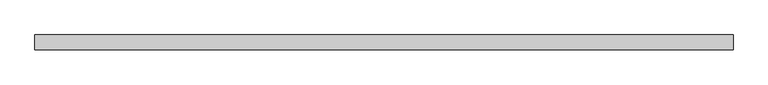
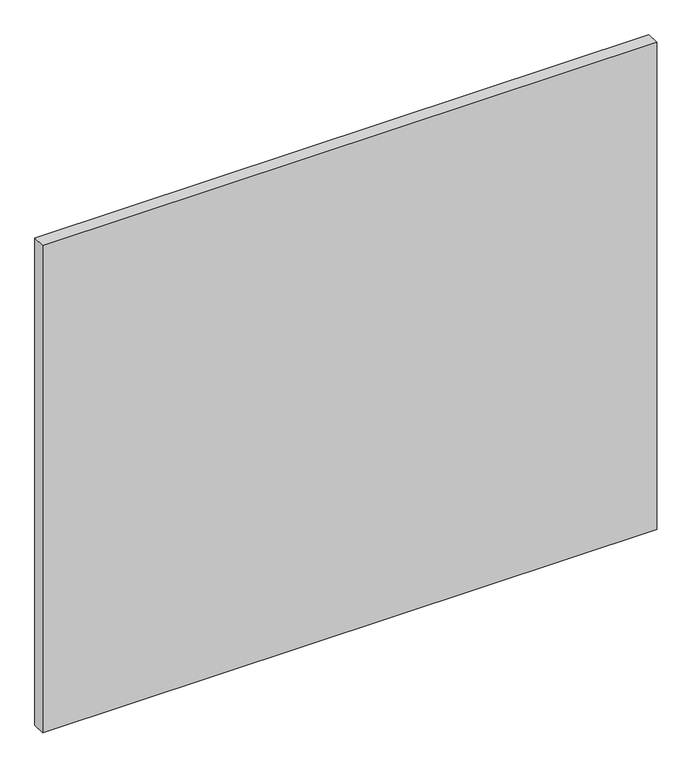
"""IFC4 building model written with IfcOpenShell, lengths in millimetres: plate geometry."""

from ifc_helpers import new_model, si_unit, origin, origin_with_axes, place, context, project, spatial, polyline, outline, extrude, source, transform, mapped, element, save


def plate_30181dfd(model_context):
    return source(origin(), model_context, "Body", "SweptSolid", [
        extrude(outline(polyline([(581.1383937, 24.5), (-581.1383937, 24.5), (-581.1383937, 49.5), (581.1383937, 49.5), (581.1383937, 24.5)])), origin_with_axes(), (0.0, 0.0, 1.0), 975.0),
    ])


if __name__ == "__main__":
    model = new_model("IFC4")
    model_context = context("Model", 3, world=origin())
    ifc_project = project(units=[si_unit("LENGTHUNIT", "METRE", prefix="MILLI")], contexts=[model_context])
    site = spatial("IfcSite", under=ifc_project)
    building = spatial("IfcBuilding", under=site)
    placement = place(None, origin())
    plate_shape = plate_30181dfd(model_context)
    element("IfcPlate", 1, at=placement, inside=building, context=model_context, shape_type="MappedRepresentation", body=[
        mapped(plate_shape, transform((0.0, 0.0, 0.0), x_axis=(1.0, 0.0, 0.0), y_axis=(0.0, 1.0, 0.0), z_axis=(0.0, 0.0, 1.0))),
    ])
    save(model, "model.ifc")
